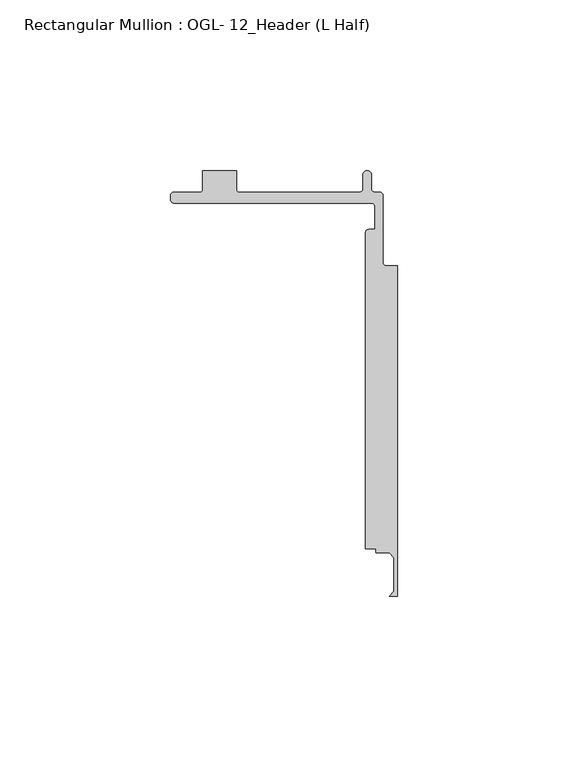
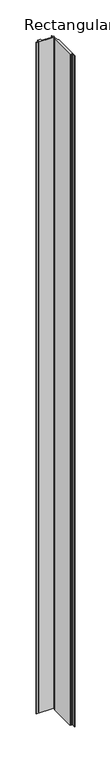
"""IFC4 building model written with IfcOpenShell, lengths in millimetres: member geometry, Rectangular Mullion : OGL- 12_Header (L Half)."""

from ifc_helpers import new_model, si_unit, point, frame, frame_2d, origin, place, context, project, spatial, polyline, circle_curve, trimmed, segment, composite_curve, outline, extrude, source, transform, mapped, element, save


def rectangular_mullion_ogl_12_header_l_half_601495dd(model_context):
    return source(origin(), model_context, "Body", "SweptSolid", [
        extrude(outline(composite_curve([segment(trimmed(circle_curve(frame_2d((-65.672665, 102.3767536)), 1.002335), [point((-65.672665, 101.3744186))], [point((-66.675, 102.3767536))], False, "CARTESIAN"), True, "CONTINUOUS"), segment(polyline([(-66.675, 102.3767536), (-66.675, 103.5392963)]), True, "CONTINUOUS"), segment(trimmed(circle_curve(frame_2d((-65.6648778, 103.5392963)), 1.0101222), [point((-66.675, 103.5392963))], [point((-65.6648778, 104.5494186))], False, "CARTESIAN"), True, "CONTINUOUS"), segment(polyline([(-65.6648778, 104.5494186), (-57.8154834, 104.5494186)]), True, "CONTINUOUS"), segment(trimmed(circle_curve(frame_2d((-57.8154834, 105.0903035)), 0.5408849), [point((-57.8154834, 104.5494186))], [point((-57.2745985, 105.0903035))], True, "CARTESIAN"), True, "CONTINUOUS"), segment(polyline([(-57.2745985, 105.0903035), (-57.2745985, 110.8877039), (-47.2119458, 110.8877039), (-47.2119458, 105.0574186)]), True, "CONTINUOUS"), segment(trimmed(circle_curve(frame_2d((-46.7039458, 105.0574186)), 0.508), [point((-47.2119458, 105.0574186))], [point((-46.7039458, 104.5494186))], True, "CARTESIAN"), True, "CONTINUOUS"), segment(polyline([(-46.7039458, 104.5494186), (-11.1449622, 104.5494186)]), True, "CONTINUOUS"), segment(trimmed(circle_curve(frame_2d((-11.1449622, 105.5654186)), 1.016), [point((-11.1449622, 104.5494186))], [point((-10.1289622, 105.5654186))], True, "CARTESIAN"), True, "CONTINUOUS"), segment(polyline([(-10.1289622, 105.5654186), (-10.1289622, 109.6962686)]), True, "CONTINUOUS"), segment(trimmed(circle_curve(frame_2d((-8.9220524, 109.6962686)), 1.2069098), [point((-10.1289622, 109.6962686))], [point((-7.7151426, 109.6962686))], False, "CARTESIAN"), True, "CONTINUOUS"), segment(polyline([(-7.7151426, 109.6962686), (-7.7151426, 105.5654186)]), True, "CONTINUOUS"), segment(trimmed(circle_curve(frame_2d((-6.6991426, 105.5654186)), 1.016), [point((-7.7151426, 105.5654186))], [point((-6.6991426, 104.5494186))], True, "CARTESIAN"), True, "CONTINUOUS"), segment(polyline([(-6.6991426, 104.5494186), (-5.301323, 104.5494186)]), True, "CONTINUOUS"), segment(trimmed(circle_curve(frame_2d((-5.301323, 103.5334186)), 1.016), [point((-5.301323, 104.5494186))], [point((-4.285323, 103.5334186))], False, "CARTESIAN"), True, "CONTINUOUS"), segment(polyline([(-4.285323, 103.5334186), (-4.285323, 83.9556449)]), True, "CONTINUOUS"), segment(trimmed(circle_curve(frame_2d((-3.269323, 83.9556449)), 1.016), [point((-4.285323, 83.9556449))], [point((-3.269323, 82.9396449))], True, "CARTESIAN"), True, "CONTINUOUS"), segment(polyline([(-3.269323, 82.9396449), (0.0, 82.9396449), (-0.0001658, -13.8441035), (-2.3814158, -13.8441035), (-1.0161658, -12.3917098), (-1.0161658, -2.5964971), (-2.3814158, -1.1441035), (-6.3501658, -1.1441035), (-6.3501658, 0.0), (-9.4358229, 0.0), (-9.4358229, 92.6498263)]), True, "CONTINUOUS"), segment(trimmed(circle_curve(frame_2d((-8.4584503, 92.6498263)), 0.9773726), [point((-9.4358229, 92.6498263))], [point((-8.4584503, 93.627199))], False, "CARTESIAN"), True, "CONTINUOUS"), segment(polyline([(-8.4584503, 93.627199), (-6.6991426, 93.627199), (-6.6991426, 100.3584186)]), True, "CONTINUOUS"), segment(trimmed(circle_curve(frame_2d((-7.7151426, 100.3584186)), 1.016), [point((-6.6991426, 100.3584186))], [point((-7.7151426, 101.3744186))], True, "CARTESIAN"), True, "CONTINUOUS"), segment(polyline([(-7.7151426, 101.3744186), (-65.672665, 101.3744186)]), True, "CONTINUOUS")], self_intersect=False)), frame((0.0, 0.0, -2438.4), z_axis=(0.0, 0.0, 1.0), x_axis=(1.0, 0.0, 0.0)), (0.0, 0.0, 1.0), 2438.4),
    ])


if __name__ == "__main__":
    model = new_model("IFC4")
    model_context = context("Model", 3, world=origin())
    ifc_project = project(units=[si_unit("LENGTHUNIT", "METRE", prefix="MILLI")], contexts=[model_context])
    site = spatial("IfcSite", under=ifc_project)
    building = spatial("IfcBuilding", under=site)
    placement = place(None, origin())
    rectangular_mullion_ogl_12_header_l_half_shape = rectangular_mullion_ogl_12_header_l_half_601495dd(model_context)
    element("IfcMember", 1, ObjectType="Rectangular Mullion : OGL- 12_Header (L Half)", at=placement, inside=building, context=model_context, shape_type="MappedRepresentation", body=[
        mapped(rectangular_mullion_ogl_12_header_l_half_shape, transform((0.0, 0.0, 0.0), x_axis=(1.0, 0.0, 0.0), y_axis=(0.0, 1.0, 0.0), z_axis=(0.0, 0.0, 1.0))),
    ])
    save(model, "model.ifc")
